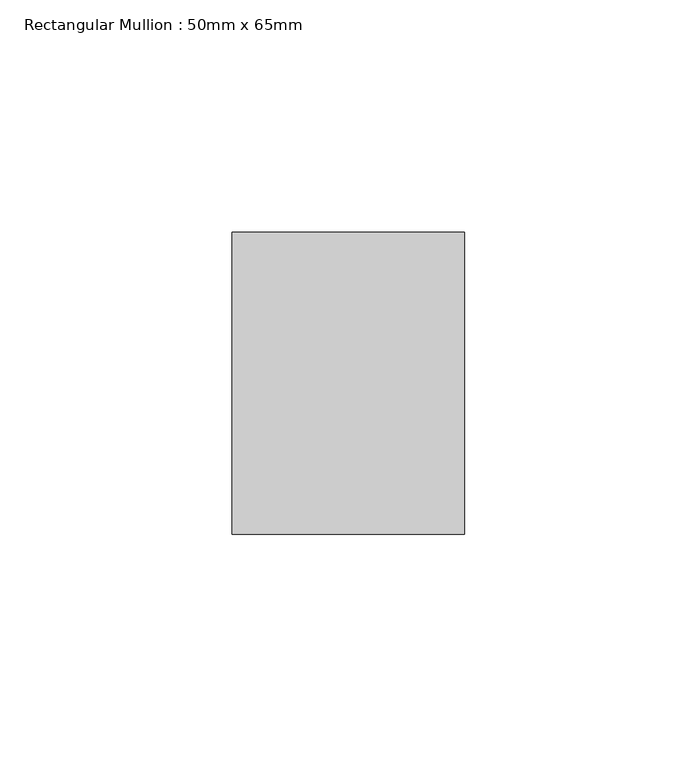
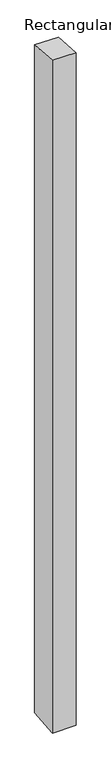
"""IFC4 building model written with IfcOpenShell, lengths in millimetres: member geometry, Rectangular Mullion : 50mm x 65mm."""

from ifc_helpers import new_model, si_unit, origin, place, context, project, spatial, faceted_brep, source, transform, mapped, element, save


def rectangular_mullion_50mm_x_65mm_e11d46f6(model_context):
    return source(origin(), model_context, "Body", "Brep", [
        faceted_brep([(-25.0, 32.5, -2.4319447), (25.0, 32.5, -2.4319543), (25.0, 32.5, -1497.0088093), (-25.0, 32.5, -1497.0088211), (-25.0, -32.5, 2.4319543), (-25.0, -32.5, -1502.9911326), (25.0, -32.5, 2.4319447), (25.0, -32.5, -1502.9911209)], [[[0, 1, 2, 3]], [[4, 0, 3, 5]], [[6, 4, 5, 7]], [[1, 6, 7, 2]], [[1, 0, 4, 6]], [[2, 7, 5, 3]]]),
    ])


if __name__ == "__main__":
    model = new_model("IFC4")
    model_context = context("Model", 3, world=origin())
    ifc_project = project(units=[si_unit("LENGTHUNIT", "METRE", prefix="MILLI")], contexts=[model_context])
    site = spatial("IfcSite", under=ifc_project)
    building = spatial("IfcBuilding", under=site)
    placement = place(None, origin())
    rectangular_mullion_50mm_x_65mm_shape = rectangular_mullion_50mm_x_65mm_e11d46f6(model_context)
    element("IfcMember", 1, ObjectType="Rectangular Mullion : 50mm x 65mm", at=placement, inside=building, context=model_context, shape_type="MappedRepresentation", body=[
        mapped(rectangular_mullion_50mm_x_65mm_shape, transform((0.0, 0.0, 0.0), x_axis=(1.0, 0.0, 0.0), y_axis=(0.0, 1.0, 0.0), z_axis=(0.0, 0.0, 1.0))),
    ])
    save(model, "model.ifc")
